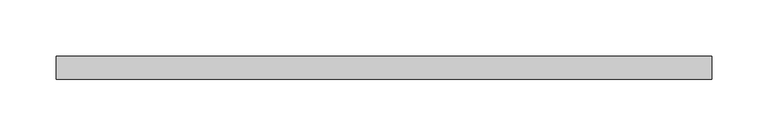
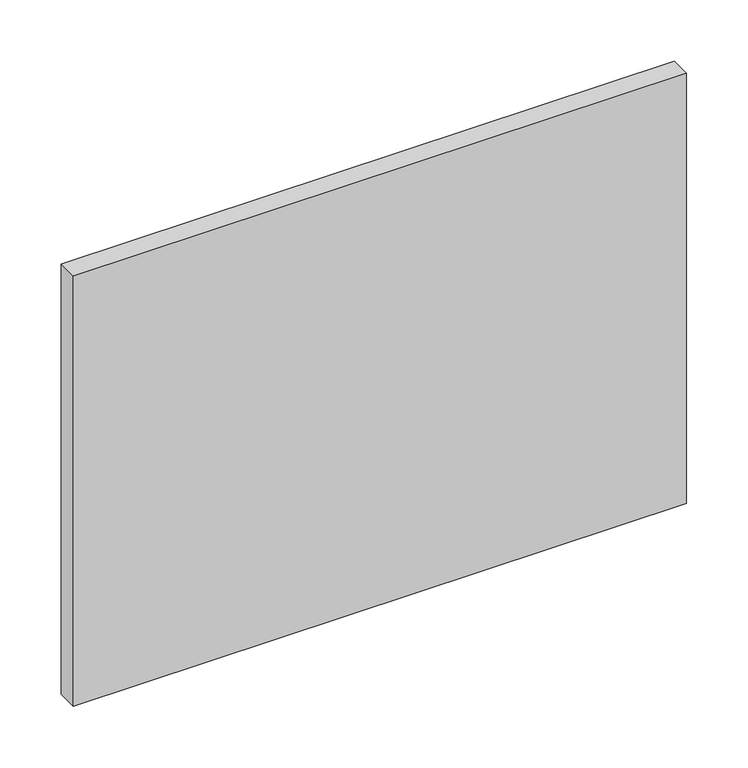
"""IFC4 building model written with IfcOpenShell, lengths in millimetres: plate geometry."""

from ifc_helpers import new_model, si_unit, origin, origin_with_axes, place, context, project, spatial, polyline, outline, extrude, source, transform, mapped, element, save


def plate_e92e51da(model_context):
    return source(origin(), model_context, "Body", "SweptSolid", [
        extrude(outline(polyline([(290.0, -90.0), (-290.0, -90.0), (-290.0, -70.0), (290.0, -70.0), (290.0, -90.0)])), origin_with_axes(), (0.0, 0.0, 1.0), 430.1707317),
    ])


if __name__ == "__main__":
    model = new_model("IFC4")
    model_context = context("Model", 3, world=origin())
    ifc_project = project(units=[si_unit("LENGTHUNIT", "METRE", prefix="MILLI")], contexts=[model_context])
    site = spatial("IfcSite", under=ifc_project)
    building = spatial("IfcBuilding", under=site)
    placement = place(None, origin())
    plate_shape = plate_e92e51da(model_context)
    element("IfcPlate", 1, at=placement, inside=building, context=model_context, shape_type="MappedRepresentation", body=[
        mapped(plate_shape, transform((0.0, 0.0, 0.0), x_axis=(1.0, 0.0, 0.0), y_axis=(0.0, 1.0, 0.0), z_axis=(0.0, 0.0, 1.0))),
    ])
    save(model, "model.ifc")
